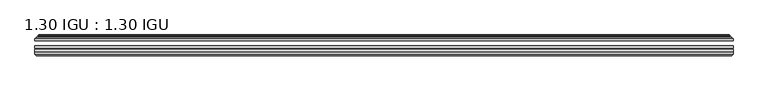
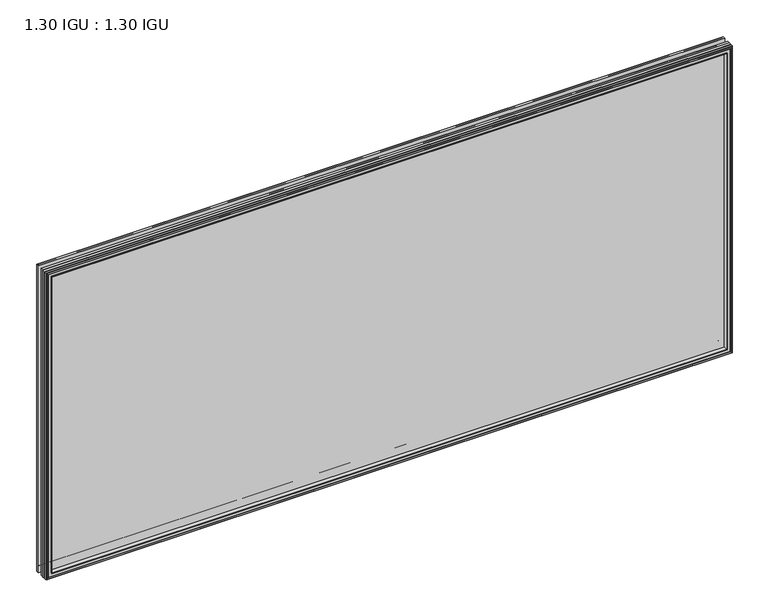
"""IFC4 building model written with IfcOpenShell, lengths in millimetres: plate geometry, 1.30 IGU : 1.30 IGU."""

from ifc_helpers import new_model, si_unit, frame, origin, place, context, project, spatial, polyline, ellipse_curve, outline, extrude, faceted_brep, source, transform, mapped, element, save
from ifc_brep_helpers import plane_surface, cylinder_surface, revolved_surface, advanced_brep


def plate_1_30_igu_1_30_igu_aeed6c9c(model_context):
    return source(origin(), model_context, "Body", "SolidModel", [
        extrude(outline(polyline([(896.8705532, -44.92625), (896.8705532, -51.27625), (-896.9375, -51.27625), (-896.9375, -44.92625), (896.8705532, -44.92625)])), frame((0.0, 0.0, -14.2875), z_axis=(0.0, 0.0, 1.0), x_axis=(1.0, 0.0, 0.0)), (0.0, 0.0, 1.0), 847.725),
        extrude(outline(polyline([(-896.9375, -78.58125), (-896.9375, -72.23125), (896.8705532, -72.23125), (896.8705532, -78.58125), (-896.9375, -78.58125)])), frame((0.0, 0.0, -14.2875), z_axis=(0.0, 0.0, 1.0), x_axis=(1.0, 0.0, 0.0)), (0.0, 0.0, 1.0), 847.725),
        extrude(outline(polyline([(-896.9375, -70.32625), (-896.9375, -63.97625), (896.8705532, -63.97625), (896.8705532, -70.32625), (-896.9375, -70.32625)])), frame((0.0, 0.0, -14.2875), z_axis=(0.0, 0.0, 1.0), x_axis=(1.0, 0.0, 0.0)), (0.0, 0.0, 1.0), 847.725),
        advanced_brep(
        [(-878.6022902, -43.8351483, 815.1022902), (-879.0441004, -44.92625, 815.5441004), (-879.0441004, -44.92625, 3.6058996), (-878.6022902, -43.8351483, 4.0477098), (-882.65, -36.11245, 819.15), (-882.65, -36.11245, 0.0), (-887.8359109, -37.2935491, 824.3359109), (-887.8359109, -37.2935491, -5.1859109), (-887.5063356, -36.4664324, 824.0063356), (-887.5063356, -36.4664324, -4.8563356), (-887.5063356, -35.6521812, 824.0063356), (-887.5063356, -35.6521812, -4.8563356), (-889.3226111, -37.610817, 825.8226111), (-889.3226111, -37.610817, -6.6726111), (-889.3226111, -38.3239429, 825.8226111), (-889.3226111, -38.3239429, -6.6726111), (-887.5063356, -40.2727974, 824.0063356), (-887.5063356, -40.2727974, -4.8563356), (-887.5063356, -39.4683275, 824.0063356), (-887.5063356, -39.4683275, -4.8563356), (-887.8282501, -38.6604367, 824.3282501), (-887.8282501, -38.6604367, -5.1782501), (-885.3044379, -38.502045, 821.8044379), (-885.3044379, -38.502045, -2.6544379), (-884.2786217, -39.1897544, 820.7786217), (-884.2786217, -39.1897544, -1.6286217), (-884.3970288, -40.5842231, 820.8970288), (-884.3970288, -40.5842231, -1.7470288), (-884.9987748, -42.08145, 821.4987748), (-884.9987748, -42.08145, -2.3487748), (-892.9245553, -43.9898729, 829.4245553), (-892.4389245, -42.08145, 828.9389245), (-892.4389245, -42.08145, -9.7889245), (-892.9245553, -43.9898729, -10.2745553), (-891.2038155, -44.92625, 827.7038155), (-891.2038155, -44.92625, -8.5538155), (879.0441004, -44.92625, 3.6058996), (878.6022902, -43.8351483, 4.0477098), (882.65, -36.11245, 0.0), (887.8359109, -37.2935491, -5.1859109), (887.5063356, -36.4664324, -4.8563356), (887.5063356, -35.6521812, -4.8563356), (889.3226111, -37.610817, -6.6726111), (889.3226111, -38.3239429, -6.6726111), (887.5063356, -40.2727974, -4.8563356), (887.5063356, -39.4683275, -4.8563356), (887.8282501, -38.6604367, -5.1782501), (885.3044379, -38.502045, -2.6544379), (884.2786217, -39.1897544, -1.6286217), (884.3970288, -40.5842231, -1.7470288), (884.9987748, -42.08145, -2.3487748), (892.4389245, -42.08145, -9.7889245), (892.9245553, -43.9898729, -10.2745553), (891.2038155, -44.92625, -8.5538155), (879.0441004, -44.92625, 815.5441004), (878.6022902, -43.8351483, 815.1022902), (882.65, -36.11245, 819.15), (887.8359109, -37.2935491, 824.3359109), (887.5063356, -36.4664324, 824.0063356), (887.5063356, -35.6521812, 824.0063356), (889.3226111, -37.610817, 825.8226111), (889.3226111, -38.3239429, 825.8226111), (887.5063356, -40.2727974, 824.0063356), (887.5063356, -39.4683275, 824.0063356), (887.8282501, -38.6604367, 824.3282501), (885.3044379, -38.502045, 821.8044379), (884.2786217, -39.1897544, 820.7786217), (884.3970288, -40.5842231, 820.8970288), (884.9987748, -42.08145, 821.4987748), (892.4389245, -42.08145, 828.9389245), (892.9245553, -43.9898729, 829.4245553), (891.2038155, -44.92625, 827.7038155)],
        [
            (0, 1, ellipse_curve(frame((-879.0441004, -44.29125, 815.5441004), z_axis=(-0.7071067811865475, 0.0, -0.7071067811865475), x_axis=(-0.7071067811865474, 0.0, 0.7071067811865476)), 0.8980256, 0.635)),
            (1, 2),
            (2, 3, ellipse_curve(frame((-879.0441004, -44.29125, 3.6058996), z_axis=(-0.7071067811865475, 0.0, 0.7071067811865475), x_axis=(0.7071067811865474, 0.0, 0.7071067811865476)), 0.8980256, 0.635)),
            (3, 0),
            (4, 0, ellipse_curve(frame((-868.9172054, -33.8367745, 805.4172054), z_axis=(0.7071067811865475, 0.0, 0.7071067811865475), x_axis=(0.7071067811865474, 0.0, -0.7071067811865476)), 19.6859517, 13.9200699)),
            (3, 5, ellipse_curve(frame((-868.9172054, -33.8367745, 13.7327946), z_axis=(0.7071067811865475, 0.0, -0.7071067811865475), x_axis=(-0.7071067811865474, 0.0, -0.7071067811865476)), 19.6859517, 13.9200699)),
            (5, 4),
            (6, 4),
            (5, 7),
            (7, 6),
            (8, 6),
            (7, 9),
            (9, 8),
            (10, 8),
            (9, 11),
            (11, 10),
            (12, 10),
            (11, 13),
            (13, 12),
            (14, 12, ellipse_curve(frame((-888.9607729, -37.96738, 825.4607729), z_axis=(-0.7071067811865475, 0.0, -0.7071067811865475), x_axis=(-0.7071067811865474, 0.0, 0.7071067811865476)), 0.7184205, 0.508)),
            (13, 15, ellipse_curve(frame((-888.9607729, -37.96738, -6.3107729), z_axis=(-0.7071067811865475, 0.0, 0.7071067811865475), x_axis=(0.7071067811865474, 0.0, 0.7071067811865476)), 0.7184205, 0.508)),
            (15, 14),
            (16, 14),
            (15, 17),
            (17, 16),
            (18, 16),
            (17, 19),
            (19, 18),
            (20, 18),
            (19, 21),
            (21, 20),
            (22, 20),
            (21, 23),
            (23, 22),
            (24, 22, ellipse_curve(frame((-885.2408, -39.51605, 821.7408), z_axis=(0.7071067811865475, 0.0, 0.7071067811865475), x_axis=(0.7071067811865474, 0.0, -0.7071067811865476)), 1.436841, 1.016)),
            (23, 25, ellipse_curve(frame((-885.2408, -39.51605, -2.5908), z_axis=(0.7071067811865475, 0.0, -0.7071067811865475), x_axis=(-0.7071067811865474, 0.0, -0.7071067811865476)), 1.436841, 1.016)),
            (25, 24),
            (26, 24, ellipse_curve(frame((-886.6124, -39.69385, 823.1124), z_axis=(0.7071067811865475, 0.0, 0.7071067811865475), x_axis=(0.7071067811865474, 0.0, -0.7071067811865476)), 3.3765763, 2.3876)),
            (25, 27, ellipse_curve(frame((-886.6124, -39.69385, -3.9624), z_axis=(0.7071067811865475, 0.0, -0.7071067811865475), x_axis=(-0.7071067811865474, 0.0, -0.7071067811865476)), 3.3765763, 2.3876)),
            (27, 26),
            (28, 26),
            (27, 29),
            (29, 28),
            (30, 31, ellipse_curve(frame((-892.4389245, -43.09745, 828.9389245), z_axis=(-0.7071067811865475, 0.0, -0.7071067811865475), x_axis=(-0.7071067811865474, 0.0, 0.7071067811865476)), 1.436841, 1.016)),
            (31, 32),
            (32, 33, ellipse_curve(frame((-892.4389245, -43.09745, -9.7889245), z_axis=(-0.7071067811865475, 0.0, 0.7071067811865475), x_axis=(0.7071067811865474, 0.0, 0.7071067811865476)), 1.436841, 1.016)),
            (33, 30),
            (34, 30),
            (33, 35),
            (35, 34),
            (2, 36),
            (36, 37, ellipse_curve(frame((879.0441004, -44.29125, 3.6058996), z_axis=(-0.7071067811865475, 0.0, -0.7071067811865475), x_axis=(-0.7071067811865476, 0.0, 0.7071067811865474)), 0.8980256, 0.635)),
            (37, 3),
            (37, 38, ellipse_curve(frame((868.9172054, -33.8367745, 13.7327946), z_axis=(0.7071067811865475, 0.0, 0.7071067811865475), x_axis=(0.7071067811865476, 0.0, -0.7071067811865474)), 19.6859517, 13.9200699)),
            (38, 5),
            (38, 39),
            (39, 7),
            (39, 40),
            (40, 9),
            (40, 41),
            (41, 11),
            (41, 42),
            (42, 13),
            (42, 43, ellipse_curve(frame((888.9607729, -37.96738, -6.3107729), z_axis=(-0.7071067811865475, 0.0, -0.7071067811865475), x_axis=(-0.7071067811865476, 0.0, 0.7071067811865474)), 0.7184205, 0.508)),
            (43, 15),
            (43, 44),
            (44, 17),
            (44, 45),
            (45, 19),
            (45, 46),
            (46, 21),
            (46, 47),
            (47, 23),
            (47, 48, ellipse_curve(frame((885.2408, -39.51605, -2.5908), z_axis=(0.7071067811865475, 0.0, 0.7071067811865475), x_axis=(0.7071067811865476, 0.0, -0.7071067811865474)), 1.436841, 1.016)),
            (48, 25),
            (48, 49, ellipse_curve(frame((886.6124, -39.69385, -3.9624), z_axis=(0.7071067811865475, 0.0, 0.7071067811865475), x_axis=(0.7071067811865476, 0.0, -0.7071067811865474)), 3.3765763, 2.3876)),
            (49, 27),
            (49, 50),
            (50, 29),
            (32, 51),
            (51, 52, ellipse_curve(frame((892.4389245, -43.09745, -9.7889245), z_axis=(-0.7071067811865475, 0.0, -0.7071067811865475), x_axis=(-0.7071067811865476, 0.0, 0.7071067811865474)), 1.436841, 1.016)),
            (52, 33),
            (52, 53),
            (53, 35),
            (36, 54),
            (54, 55, ellipse_curve(frame((879.0441004, -44.29125, 815.5441004), z_axis=(0.7071067811865475, 0.0, -0.7071067811865475), x_axis=(-0.7071067811865474, 0.0, -0.7071067811865476)), 0.8980256, 0.635)),
            (55, 37),
            (55, 56, ellipse_curve(frame((868.9172054, -33.8367745, 805.4172054), z_axis=(-0.7071067811865475, 0.0, 0.7071067811865475), x_axis=(0.7071067811865474, 0.0, 0.7071067811865476)), 19.6859517, 13.9200699)),
            (56, 38),
            (56, 57),
            (57, 39),
            (57, 58),
            (58, 40),
            (58, 59),
            (59, 41),
            (59, 60),
            (60, 42),
            (60, 61, ellipse_curve(frame((888.9607729, -37.96738, 825.4607729), z_axis=(0.7071067811865475, 0.0, -0.7071067811865475), x_axis=(-0.7071067811865474, 0.0, -0.7071067811865476)), 0.7184205, 0.508)),
            (61, 43),
            (61, 62),
            (62, 44),
            (62, 63),
            (63, 45),
            (63, 64),
            (64, 46),
            (64, 65),
            (65, 47),
            (65, 66, ellipse_curve(frame((885.2408, -39.51605, 821.7408), z_axis=(-0.7071067811865475, 0.0, 0.7071067811865475), x_axis=(0.7071067811865474, 0.0, 0.7071067811865476)), 1.436841, 1.016)),
            (66, 48),
            (66, 67, ellipse_curve(frame((886.6124, -39.69385, 823.1124), z_axis=(-0.7071067811865475, 0.0, 0.7071067811865475), x_axis=(0.7071067811865474, 0.0, 0.7071067811865476)), 3.3765763, 2.3876)),
            (67, 49),
            (67, 68),
            (68, 50),
            (51, 69),
            (69, 70, ellipse_curve(frame((892.4389245, -43.09745, 828.9389245), z_axis=(0.7071067811865475, 0.0, -0.7071067811865475), x_axis=(-0.7071067811865474, 0.0, -0.7071067811865476)), 1.436841, 1.016)),
            (70, 52),
            (70, 71),
            (71, 53),
            (54, 1),
            (0, 55),
            (4, 56),
            (6, 57),
            (8, 58),
            (10, 59),
            (12, 60),
            (14, 61),
            (16, 62),
            (18, 63),
            (20, 64),
            (22, 65),
            (24, 66),
            (26, 67),
            (28, 68),
            (31, 69),
            (30, 70),
            (34, 71),
        ],
        [
            cylinder_surface(frame((-879.0441004, -44.29125, 850.9), z_axis=(0.0, 0.0, 1.0), x_axis=(-1.0, 0.0, 0.0)), 0.635),
            revolved_surface(polyline([(-882.8372753, -33.8367745, -0.18727534118079348), (-882.8372753, -33.8367745, 819.3372753411808)]), (-868.9172054, -33.8367745, 850.9), (0.0, 0.0, -1.0)),
            plane_surface(frame((-882.65, -36.11245, 819.15), z_axis=(-0.2220649844277866, 0.975031867525922, 0.0), x_axis=(0.0, 0.0, -1.0))),
            plane_surface(frame((-887.8359109, -37.2935491, 824.3359109), z_axis=(0.9289682685629922, -0.3701593656833182, 0.0), x_axis=(0.0, 0.0, -1.0))),
            plane_surface(frame((-887.5063356, -36.4664324, 824.0063356), z_axis=(1.0, 0.0, 0.0), x_axis=(0.0, 0.0, -1.0))),
            plane_surface(frame((-887.5063356, -35.6521812, 824.0063356), z_axis=(-0.7332521292723956, 0.6799568478348447, 0.0), x_axis=(0.0, 0.0, -1.0))),
            cylinder_surface(frame((-888.9607729, -37.96738, 850.9), z_axis=(0.0, 0.0, 1.0), x_axis=(-1.0, 0.0, 0.0)), 0.508),
            plane_surface(frame((-889.3226111, -38.3239429, 825.8226111), z_axis=(-0.7315522693036389, -0.6817853601220082, 0.0), x_axis=(0.0, 0.0, -1.0))),
            plane_surface(frame((-887.5063356, -40.2727974, 824.0063356), z_axis=(1.0, 0.0, 0.0), x_axis=(0.0, 0.0, -1.0))),
            plane_surface(frame((-887.5063356, -39.4683275, 824.0063356), z_axis=(0.9289682685631103, 0.37015936568302166, 0.0), x_axis=(0.0, 0.0, -1.0))),
            plane_surface(frame((-887.8282501, -38.6604367, 824.3282501), z_axis=(0.06263570119321646, -0.9980364567169048, 0.0), x_axis=(0.0, 0.0, -1.0))),
            revolved_surface(polyline([(-886.2568, -39.51605, -3.606800014586838), (-886.2568, -39.51605, 822.7568000145869)]), (-885.2408, -39.51605, 850.9), (0.0, 0.0, -1.0)),
            revolved_surface(polyline([(-889.0, -39.69385, -6.3499999989237494), (-889.0, -39.69385, 825.4999999989237)]), (-886.6124, -39.69385, 850.9), (0.0, 0.0, -1.0)),
            plane_surface(frame((-884.3970288, -40.5842231, 820.8970288), z_axis=(-0.9278652925428912, 0.372915538553028, 0.0), x_axis=(0.0, 0.0, -1.0))),
            cylinder_surface(frame((-892.4389245, -43.09745, 850.9), z_axis=(0.0, 0.0, 1.0), x_axis=(-1.0, 0.0, 0.0)), 1.016),
            plane_surface(frame((-892.9245553, -43.9898729, 829.4245553), z_axis=(-0.477983117370979, -0.8783690223979447, 0.0), x_axis=(0.0, 0.0, -1.0))),
            cylinder_surface(frame((-914.4, -44.29125, 3.6058996), z_axis=(-1.0, 0.0, 0.0), x_axis=(0.0, 0.0, -1.0)), 0.635),
            revolved_surface(polyline([(882.8372753411808, -33.8367745, -0.1872752999999996), (-882.8372753411808, -33.8367745, -0.1872752999999996)]), (-914.4, -33.8367745, 13.7327946), (1.0, 0.0, 0.0)),
            plane_surface(frame((-882.65, -36.11245, 0.0), z_axis=(0.0, 0.9750318675259213, -0.22206498442778974), x_axis=(1.0, 0.0, 0.0))),
            plane_surface(frame((-887.8359109, -37.2935491, -5.1859109), z_axis=(0.0, -0.3701593656833152, 0.9289682685629934), x_axis=(1.0, 0.0, 0.0))),
            plane_surface(frame((-887.5063356, -36.4664324, -4.8563356), z_axis=(0.0, 0.0, 1.0), x_axis=(1.0, 0.0, 0.0))),
            plane_surface(frame((-887.5063356, -35.6521812, -4.8563356), z_axis=(0.0, 0.6799568478348423, -0.7332521292723978), x_axis=(1.0, 0.0, 0.0))),
            cylinder_surface(frame((-914.4, -37.96738, -6.3107729), z_axis=(-1.0, 0.0, 0.0), x_axis=(0.0, 0.0, -1.0)), 0.508),
            plane_surface(frame((-889.3226111, -38.3239429, -6.6726111), z_axis=(0.0, -0.6817853601220105, -0.7315522693036367), x_axis=(1.0, 0.0, 0.0))),
            plane_surface(frame((-887.5063356, -40.2727974, -4.8563356), z_axis=(0.0, 0.0, 1.0), x_axis=(1.0, 0.0, 0.0))),
            plane_surface(frame((-887.5063356, -39.4683275, -4.8563356), z_axis=(0.0, 0.37015936568302465, 0.9289682685631091), x_axis=(1.0, 0.0, 0.0))),
            plane_surface(frame((-887.8282501, -38.6604367, -5.1782501), z_axis=(0.0, -0.9980364567169046, 0.06263570119321968), x_axis=(1.0, 0.0, 0.0))),
            revolved_surface(polyline([(886.2568000145869, -39.51605, -3.6068000000000002), (-886.2568000145869, -39.51605, -3.6068000000000002)]), (-914.4, -39.51605, -2.5908), (1.0, 0.0, 0.0)),
            revolved_surface(polyline([(888.999999998924, -39.69385, -6.35), (-888.9999999989237, -39.69385, -6.35)]), (-914.4, -39.69385, -3.9624), (1.0, 0.0, 0.0)),
            plane_surface(frame((-884.3970288, -40.5842231, -1.7470288), z_axis=(0.0, 0.372915538553025, -0.9278652925428924), x_axis=(1.0, 0.0, 0.0))),
            cylinder_surface(frame((-914.4, -43.09745, -9.7889245), z_axis=(-1.0, 0.0, 0.0), x_axis=(0.0, 0.0, -1.0)), 1.016),
            plane_surface(frame((-892.9245553, -43.9898729, -10.2745553), z_axis=(0.0, -0.8783690223979462, -0.47798311737097615), x_axis=(1.0, 0.0, 0.0))),
            cylinder_surface(frame((879.0441004, -44.29125, -31.75), z_axis=(0.0, 0.0, -1.0), x_axis=(1.0, 0.0, 0.0)), 0.635),
            revolved_surface(polyline([(882.8372753, -33.8367745, 819.3372753411808), (882.8372753, -33.8367745, -0.1872753411808432)]), (868.9172054, -33.8367745, -31.75), (0.0, 0.0, 1.0)),
            plane_surface(frame((882.65, -36.11245, 0.0), z_axis=(0.22206498442779285, 0.9750318675259205, 0.0), x_axis=(0.0, 0.0, 1.0))),
            plane_surface(frame((887.8359109, -37.2935491, -5.1859109), z_axis=(-0.9289682685629946, -0.3701593656833122, 0.0), x_axis=(0.0, 0.0, 1.0))),
            plane_surface(frame((887.5063356, -36.4664324, -4.8563356), z_axis=(-1.0, 0.0, 0.0), x_axis=(0.0, 0.0, 1.0))),
            plane_surface(frame((887.5063356, -35.6521812, -4.8563356), z_axis=(0.7332521292724, 0.67995684783484, 0.0), x_axis=(0.0, 0.0, 1.0))),
            cylinder_surface(frame((888.9607729, -37.96738, -31.75), z_axis=(0.0, 0.0, -1.0), x_axis=(1.0, 0.0, 0.0)), 0.508),
            plane_surface(frame((889.3226111, -38.3239429, -6.6726111), z_axis=(0.7315522693036345, -0.6817853601220129, 0.0), x_axis=(0.0, 0.0, 1.0))),
            plane_surface(frame((887.5063356, -40.2727974, -4.8563356), z_axis=(-1.0, 0.0, 0.0), x_axis=(0.0, 0.0, 1.0))),
            plane_surface(frame((887.5063356, -39.4683275, -4.8563356), z_axis=(-0.928968268563108, 0.3701593656830277, 0.0), x_axis=(0.0, 0.0, 1.0))),
            plane_surface(frame((887.8282501, -38.6604367, -5.1782501), z_axis=(-0.0626357011932229, -0.9980364567169043, 0.0), x_axis=(0.0, 0.0, 1.0))),
            revolved_surface(polyline([(886.2568, -39.51605, 822.7568000145869), (886.2568, -39.51605, -3.606800014586863)]), (885.2408, -39.51605, -31.75), (0.0, 0.0, 1.0)),
            revolved_surface(polyline([(889.0, -39.69385, 825.4999999989237), (889.0, -39.69385, -6.349999998923781)]), (886.6124, -39.69385, -31.75), (0.0, 0.0, 1.0)),
            plane_surface(frame((884.3970288, -40.5842231, -1.7470288), z_axis=(0.9278652925428936, 0.372915538553022, 0.0), x_axis=(0.0, 0.0, 1.0))),
            cylinder_surface(frame((892.4389245, -43.09745, -31.75), z_axis=(0.0, 0.0, -1.0), x_axis=(1.0, 0.0, 0.0)), 1.016),
            plane_surface(frame((892.9245553, -43.9898729, -10.2745553), z_axis=(0.4779831173709733, -0.8783690223979478, 0.0), x_axis=(0.0, 0.0, 1.0))),
            cylinder_surface(frame((914.4, -44.29125, 815.5441004), z_axis=(1.0, 0.0, 0.0), x_axis=(0.0, 0.0, 1.0)), 0.635),
            revolved_surface(polyline([(-882.8372753411808, -33.8367745, 819.3372753), (882.8372753411808, -33.8367745, 819.3372753)]), (914.4, -33.8367745, 805.4172054), (-1.0, 0.0, 0.0)),
            plane_surface(frame((882.65, -36.11245, 819.15), z_axis=(0.0, 0.9750318675259212, 0.2220649844277897), x_axis=(-1.0, 0.0, 0.0))),
            plane_surface(frame((887.8359109, -37.2935491, 824.3359109), z_axis=(0.0, -0.3701593656833152, -0.9289682685629934), x_axis=(-1.0, 0.0, 0.0))),
            plane_surface(frame((887.5063356, -36.4664324, 824.0063356), z_axis=(0.0, 0.0, -1.0), x_axis=(-1.0, 0.0, 0.0))),
            plane_surface(frame((887.5063356, -35.6521812, 824.0063356), z_axis=(0.0, 0.6799568478348423, 0.7332521292723978), x_axis=(-1.0, 0.0, 0.0))),
            cylinder_surface(frame((914.4, -37.96738, 825.4607729), z_axis=(1.0, 0.0, 0.0), x_axis=(0.0, 0.0, 1.0)), 0.508),
            plane_surface(frame((889.3226111, -38.3239429, 825.8226111), z_axis=(0.0, -0.6817853601220105, 0.7315522693036367), x_axis=(-1.0, 0.0, 0.0))),
            plane_surface(frame((887.5063356, -40.2727974, 824.0063356), z_axis=(0.0, 0.0, -1.0), x_axis=(-1.0, 0.0, 0.0))),
            plane_surface(frame((887.5063356, -39.4683275, 824.0063356), z_axis=(0.0, 0.3701593656830247, -0.9289682685631092), x_axis=(-1.0, 0.0, 0.0))),
            plane_surface(frame((887.8282501, -38.6604367, 824.3282501), z_axis=(0.0, -0.9980364567169046, -0.06263570119321968), x_axis=(-1.0, 0.0, 0.0))),
            revolved_surface(polyline([(-886.2568000145869, -39.51605, 822.7568), (886.2568000145869, -39.51605, 822.7568)]), (914.4, -39.51605, 821.7408), (-1.0, 0.0, 0.0)),
            revolved_surface(polyline([(-888.999999998924, -39.69385, 825.5), (888.9999999989237, -39.69385, 825.5)]), (914.4, -39.69385, 823.1124), (-1.0, 0.0, 0.0)),
            plane_surface(frame((884.3970288, -40.5842231, 820.8970288), z_axis=(0.0, 0.372915538553025, 0.9278652925428924), x_axis=(-1.0, 0.0, 0.0))),
            plane_surface(frame((884.9987748, -42.08145, 821.4987748), z_axis=(0.0, 1.0, 0.0), x_axis=(-1.0, 0.0, 0.0))),
            cylinder_surface(frame((914.4, -43.09745, 828.9389245), z_axis=(1.0, 0.0, 0.0), x_axis=(0.0, 0.0, 1.0)), 1.016),
            plane_surface(frame((892.9245553, -43.9898729, 829.4245553), z_axis=(0.0, -0.8783690223979462, 0.47798311737097615), x_axis=(-1.0, 0.0, 0.0))),
            plane_surface(frame((891.2038155, -44.92625, 827.7038155), z_axis=(0.0, -1.0, 0.0), x_axis=(-1.0, 0.0, 0.0))),
        ],
        [
            (0, [[1, 2, 3, 4]]),
            (1, [[5, -4, 6, 7]]),
            (2, [[8, -7, 9, 10]]),
            (3, [[11, -10, 12, 13]]),
            (4, [[14, -13, 15, 16]]),
            (5, [[17, -16, 18, 19]]),
            (6, [[20, -19, 21, 22]]),
            (7, [[23, -22, 24, 25]]),
            (8, [[26, -25, 27, 28]]),
            (9, [[29, -28, 30, 31]]),
            (10, [[32, -31, 33, 34]]),
            (11, [[35, -34, 36, 37]]),
            (12, [[38, -37, 39, 40]]),
            (13, [[41, -40, 42, 43]]),
            (14, [[44, 45, 46, 47]]),
            (15, [[48, -47, 49, 50]]),
            (16, [[-3, 51, 52, 53]]),
            (17, [[-6, -53, 54, 55]]),
            (18, [[-9, -55, 56, 57]]),
            (19, [[-12, -57, 58, 59]]),
            (20, [[-15, -59, 60, 61]]),
            (21, [[-18, -61, 62, 63]]),
            (22, [[-21, -63, 64, 65]]),
            (23, [[-24, -65, 66, 67]]),
            (24, [[-27, -67, 68, 69]]),
            (25, [[-30, -69, 70, 71]]),
            (26, [[-33, -71, 72, 73]]),
            (27, [[-36, -73, 74, 75]]),
            (28, [[-39, -75, 76, 77]]),
            (29, [[-42, -77, 78, 79]]),
            (30, [[-46, 80, 81, 82]]),
            (31, [[-49, -82, 83, 84]]),
            (32, [[-52, 85, 86, 87]]),
            (33, [[-54, -87, 88, 89]]),
            (34, [[-56, -89, 90, 91]]),
            (35, [[-58, -91, 92, 93]]),
            (36, [[-60, -93, 94, 95]]),
            (37, [[-62, -95, 96, 97]]),
            (38, [[-64, -97, 98, 99]]),
            (39, [[-66, -99, 100, 101]]),
            (40, [[-68, -101, 102, 103]]),
            (41, [[-70, -103, 104, 105]]),
            (42, [[-72, -105, 106, 107]]),
            (43, [[-74, -107, 108, 109]]),
            (44, [[-76, -109, 110, 111]]),
            (45, [[-78, -111, 112, 113]]),
            (46, [[-81, 114, 115, 116]]),
            (47, [[-83, -116, 117, 118]]),
            (48, [[-86, 119, -1, 120]]),
            (49, [[-88, -120, -5, 121]]),
            (50, [[-90, -121, -8, 122]]),
            (51, [[-92, -122, -11, 123]]),
            (52, [[-94, -123, -14, 124]]),
            (53, [[-96, -124, -17, 125]]),
            (54, [[-98, -125, -20, 126]]),
            (55, [[-100, -126, -23, 127]]),
            (56, [[-102, -127, -26, 128]]),
            (57, [[-104, -128, -29, 129]]),
            (58, [[-106, -129, -32, 130]]),
            (59, [[-108, -130, -35, 131]]),
            (60, [[-110, -131, -38, 132]]),
            (61, [[-112, -132, -41, 133]]),
            (62, [[134, -114, -80, -45], [-79, -113, -133, -43]]),
            (63, [[-115, -134, -44, 135]]),
            (64, [[-117, -135, -48, 136]]),
            (65, [[-84, -118, -136, -50], [-119, -85, -51, -2]]),
        ],
    ),
        faceted_brep([(-878.7957827, -78.58125, 815.2957827), (-881.3620798, -87.47125, 817.8620798), (-881.3620798, -87.47125, 1.2879202), (-878.7957827, -78.58125, 3.8542173), (-896.9502, -80.7883102, 833.4502), (-894.7431398, -78.58125, 831.2431398), (-894.7431398, -78.58125, -12.0931398), (-896.9502, -80.7883102, -14.3002), (-896.9502, -84.93125, 833.4502), (-896.9502, -84.93125, -14.3002), (-894.5311775, -86.11489, 831.0311775), (-895.3703682, -84.93125, 831.8703682), (-895.3703682, -84.93125, -12.7203682), (-894.5311775, -86.11489, -11.8811775), (-894.334, -87.4125884, 830.834), (-894.334, -87.4125884, -11.684), (-895.30966, -86.8828917, 831.80966), (-895.30966, -86.8828917, -12.65966), (-893.7752, -88.6999663, 830.2752), (-896.1023305, -86.8828917, 832.6023305), (-896.1023305, -86.8828917, -13.4523305), (-893.7752, -88.6999663, -11.1252), (-891.4480695, -86.8828917, 827.9480695), (-891.4480695, -86.8828917, -8.7980695), (-893.2164, -87.4125884, 829.7164), (-892.24074, -86.8828917, 828.74074), (-892.24074, -86.8828917, -9.59074), (-893.2164, -87.4125884, -10.5664), (-893.0192225, -86.11489, 829.5192225), (-893.0192225, -86.11489, -10.3692225), (-892.1496, -84.93125, 828.6496), (-892.1496, -84.93125, -9.4996), (-883.0013667, -87.47125, 819.5013667), (-882.4722, -84.93125, 818.9722), (-882.4722, -84.93125, 0.1778), (-883.0013667, -87.47125, -0.3513667), (881.3620798, -87.47125, 1.2879202), (878.7957827, -78.58125, 3.8542173), (894.7431398, -78.58125, -12.0931398), (896.9502, -80.7883102, -14.3002), (896.9502, -84.93125, -14.3002), (895.3703682, -84.93125, -12.7203682), (894.5311775, -86.11489, -11.8811775), (894.334, -87.4125884, -11.684), (895.30966, -86.8828917, -12.65966), (896.1023305, -86.8828917, -13.4523305), (893.7752, -88.6999663, -11.1252), (891.4480695, -86.8828917, -8.7980695), (892.24074, -86.8828917, -9.59074), (893.2164, -87.4125884, -10.5664), (893.0192225, -86.11489, -10.3692225), (892.1496, -84.93125, -9.4996), (882.4722, -84.93125, 0.1778), (883.0013667, -87.47125, -0.3513667), (881.3620798, -87.47125, 817.8620798), (878.7957827, -78.58125, 815.2957827), (894.7431398, -78.58125, 831.2431398), (896.9502, -80.7883102, 833.4502), (896.9502, -84.93125, 833.4502), (895.3703682, -84.93125, 831.8703682), (894.5311775, -86.11489, 831.0311775), (894.334, -87.4125884, 830.834), (895.30966, -86.8828917, 831.80966), (896.1023305, -86.8828917, 832.6023305), (893.7752, -88.6999663, 830.2752), (891.4480695, -86.8828917, 827.9480695), (892.24074, -86.8828917, 828.74074), (893.2164, -87.4125884, 829.7164), (893.0192225, -86.11489, 829.5192225), (892.1496, -84.93125, 828.6496), (882.4722, -84.93125, 818.9722), (883.0013667, -87.47125, 819.5013667)], [[[0, 1, 2, 3]], [[4, 5, 6, 7]], [[8, 4, 7, 9]], [[10, 11, 12, 13]], [[14, 10, 13, 15]], [[16, 14, 15, 17]], [[18, 19, 20, 21]], [[22, 18, 21, 23]], [[24, 25, 26, 27]], [[28, 24, 27, 29]], [[30, 28, 29, 31]], [[32, 33, 34, 35]], [[3, 2, 36, 37]], [[7, 6, 38, 39]], [[9, 7, 39, 40]], [[13, 12, 41, 42]], [[15, 13, 42, 43]], [[17, 15, 43, 44]], [[21, 20, 45, 46]], [[23, 21, 46, 47]], [[27, 26, 48, 49]], [[29, 27, 49, 50]], [[31, 29, 50, 51]], [[35, 34, 52, 53]], [[37, 36, 54, 55]], [[39, 38, 56, 57]], [[40, 39, 57, 58]], [[42, 41, 59, 60]], [[43, 42, 60, 61]], [[44, 43, 61, 62]], [[46, 45, 63, 64]], [[47, 46, 64, 65]], [[49, 48, 66, 67]], [[50, 49, 67, 68]], [[51, 50, 68, 69]], [[53, 52, 70, 71]], [[55, 54, 1, 0]], [[5, 56, 38, 6], [3, 37, 55, 0]], [[57, 56, 5, 4]], [[58, 57, 4, 8]], [[9, 40, 58, 8], [11, 59, 41, 12]], [[60, 59, 11, 10]], [[61, 60, 10, 14]], [[62, 61, 14, 16]], [[19, 63, 45, 20], [17, 44, 62, 16]], [[64, 63, 19, 18]], [[65, 64, 18, 22]], [[25, 66, 48, 26], [23, 47, 65, 22]], [[67, 66, 25, 24]], [[68, 67, 24, 28]], [[69, 68, 28, 30]], [[31, 51, 69, 30], [33, 70, 52, 34]], [[71, 70, 33, 32]], [[35, 53, 71, 32], [1, 54, 36, 2]]]),
    ])


if __name__ == "__main__":
    model = new_model("IFC4")
    model_context = context("Model", 3, world=origin())
    ifc_project = project(units=[si_unit("LENGTHUNIT", "METRE", prefix="MILLI")], contexts=[model_context])
    site = spatial("IfcSite", under=ifc_project)
    building = spatial("IfcBuilding", under=site)
    placement = place(None, origin())
    plate_1_30_igu_1_30_igu_shape = plate_1_30_igu_1_30_igu_aeed6c9c(model_context)
    element("IfcPlate", 1, ObjectType="1.30 IGU : 1.30 IGU", at=placement, inside=building, context=model_context, shape_type="MappedRepresentation", body=[
        mapped(plate_1_30_igu_1_30_igu_shape, transform((0.0, 0.0, 0.0), x_axis=(1.0, 0.0, 0.0), y_axis=(0.0, 1.0, 0.0), z_axis=(0.0, 0.0, 1.0))),
    ])
    save(model, "model.ifc")
